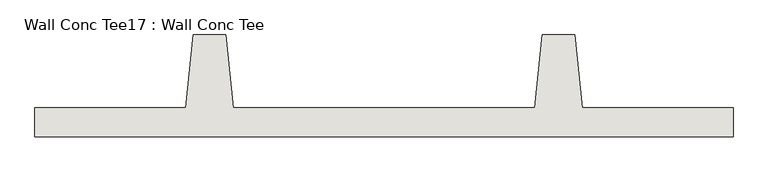
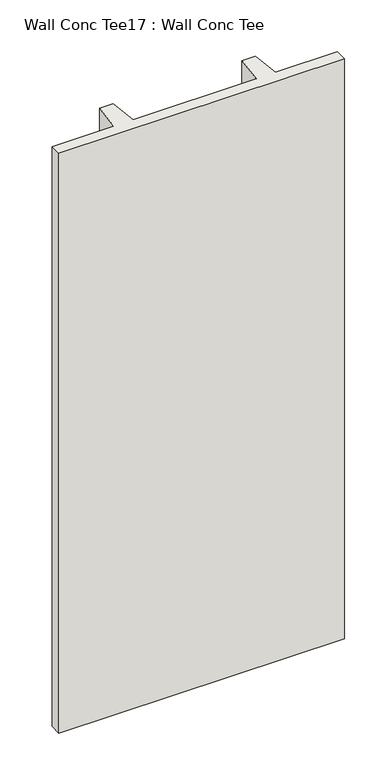
"""IFC4 building model written with IfcOpenShell, lengths in millimetres: wall geometry, Wall Conc Tee17 : Wall Conc Tee."""

from ifc_helpers import new_model, si_unit, frame, origin, place, context, project, spatial, polyline, outline, extrude, source, transform, mapped, element, save


def wall_conc_tee17_wall_conc_tee_13d09c00(model_context):
    return source(origin(), model_context, "Body", "SweptSolid", [
        extrude(outline(polyline([(212611.4728488, 180886.8596581), (210173.0728488, 180886.8596581), (210173.0728488, 180988.4596581), (210700.1228488, 180988.4596581), (210725.5228488, 181242.4596581), (210839.8228488, 181242.4596581), (210865.2228488, 180988.4596581), (211919.3228488, 180988.4596581), (211944.7228488, 181242.4596581), (212059.0228488, 181242.4596581), (212084.4228488, 180988.4596581), (212611.4728488, 180988.4596581), (212611.4728488, 180886.8596581)])), frame((0.0, 0.0, 143.7592564), z_axis=(0.0, 0.0, 1.0), x_axis=(1.0, 0.0, 0.0)), (0.0, 0.0, 1.0), 5232.4087123),
    ])


if __name__ == "__main__":
    model = new_model("IFC4")
    model_context = context("Model", 3, world=origin())
    ifc_project = project(units=[si_unit("LENGTHUNIT", "METRE", prefix="MILLI")], contexts=[model_context])
    site = spatial("IfcSite", under=ifc_project)
    building = spatial("IfcBuilding", under=site)
    placement = place(None, origin())
    wall_conc_tee17_wall_conc_tee_shape = wall_conc_tee17_wall_conc_tee_13d09c00(model_context)
    element("IfcWall", 1, ObjectType="Wall Conc Tee17 : Wall Conc Tee", at=placement, inside=building, context=model_context, shape_type="MappedRepresentation", body=[
        mapped(wall_conc_tee17_wall_conc_tee_shape, transform((0.0, 0.0, 0.0), x_axis=(1.0, 0.0, 0.0), y_axis=(0.0, 1.0, 0.0), z_axis=(0.0, 0.0, 1.0))),
    ])
    save(model, "model.ifc")
